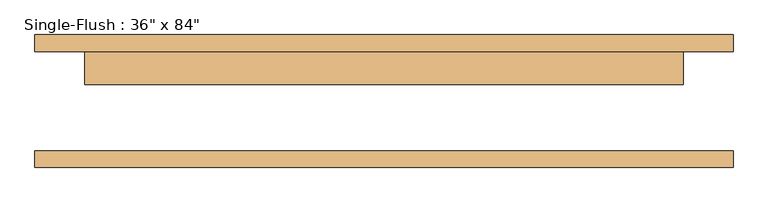
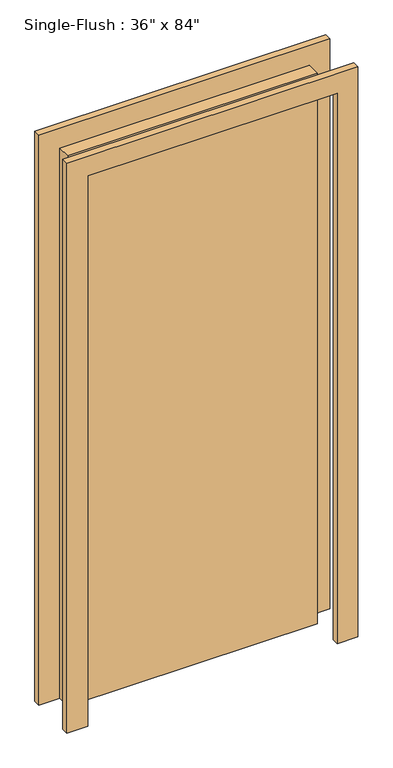
"""IFC4 building model written with IfcOpenShell, lengths in millimetres: door geometry."""

from ifc_helpers import new_model, si_unit, frame, origin, origin_with_axes, place, context, project, spatial, polyline, outline, extrude, source, transform, mapped, element, save


def door_16372e1c(model_context):
    return source(origin(), model_context, "Body", "SweptSolid", [
        extrude(outline(polyline([(2209.8, -533.4), (0.0, -533.4), (0.0, -457.2), (2133.6, -457.2), (2133.6, 457.2), (0.0, 457.2), (0.0, 533.4), (2209.8, 533.4), (2209.8, -533.4)])), frame((0.0, 76.2, 0.0), z_axis=(0.0, 1.0, 0.0), x_axis=(0.0, 0.0, 1.0)), (0.0, 0.0, 1.0), 25.4),
        extrude(outline(polyline([(2209.8, 533.4), (2209.8, -533.4), (0.0, -533.4), (0.0, -457.2), (2133.6, -457.2), (2133.6, 457.2), (0.0, 457.2), (0.0, 533.4), (2209.8, 533.4)])), frame((0.0, -101.6, 0.0), z_axis=(0.0, 1.0, 0.0), x_axis=(0.0, 0.0, 1.0)), (0.0, 0.0, 1.0), 25.4),
        extrude(outline(polyline([(457.2, 25.4), (-457.2, 25.4), (-457.2, 76.2), (457.2, 76.2), (457.2, 25.4)])), origin_with_axes(), (0.0, 0.0, 1.0), 2133.6),
    ])


if __name__ == "__main__":
    model = new_model("IFC4")
    model_context = context("Model", 3, world=origin())
    ifc_project = project(units=[si_unit("LENGTHUNIT", "METRE", prefix="MILLI")], contexts=[model_context])
    site = spatial("IfcSite", under=ifc_project)
    building = spatial("IfcBuilding", under=site)
    placement = place(None, origin())
    door_shape = door_16372e1c(model_context)
    element("IfcDoor", 1, ObjectType="Single-Flush : 36\" x 84\"", at=placement, inside=building, context=model_context, shape_type="MappedRepresentation", body=[
        mapped(door_shape, transform((0.0, 0.0, 0.0), x_axis=(1.0, 0.0, 0.0), y_axis=(0.0, 1.0, 0.0), z_axis=(0.0, 0.0, 1.0))),
    ])
    save(model, "model.ifc")
